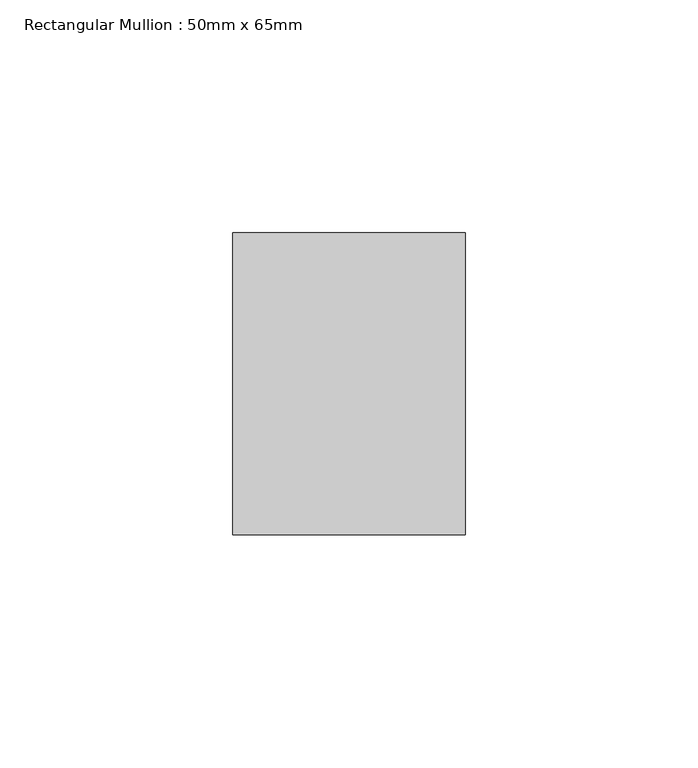
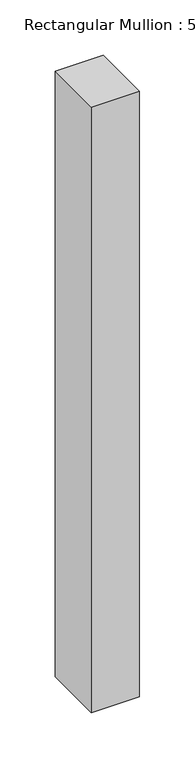
"""IFC4 building model written with IfcOpenShell, lengths in millimetres: member geometry, Rectangular Mullion : 50mm x 65mm."""

from ifc_helpers import new_model, si_unit, frame, origin, place, context, project, spatial, polyline, outline, extrude, source, transform, mapped, element, save


def rectangular_mullion_50mm_x_65mm_9daffd83(model_context):
    return source(origin(), model_context, "Body", "SweptSolid", [
        extrude(outline(polyline([(25.0, 32.5), (25.0, -32.5), (-25.0, -32.5), (-25.0, 32.5), (25.0, 32.5)])), frame((0.0, 0.0, -667.5402592), z_axis=(0.0, 0.0, 1.0), x_axis=(1.0, 0.0, 0.0)), (0.0, 0.0, 1.0), 667.5402592),
    ])


if __name__ == "__main__":
    model = new_model("IFC4")
    model_context = context("Model", 3, world=origin())
    ifc_project = project(units=[si_unit("LENGTHUNIT", "METRE", prefix="MILLI")], contexts=[model_context])
    site = spatial("IfcSite", under=ifc_project)
    building = spatial("IfcBuilding", under=site)
    placement = place(None, origin())
    rectangular_mullion_50mm_x_65mm_shape = rectangular_mullion_50mm_x_65mm_9daffd83(model_context)
    element("IfcMember", 1, ObjectType="Rectangular Mullion : 50mm x 65mm", at=placement, inside=building, context=model_context, shape_type="MappedRepresentation", body=[
        mapped(rectangular_mullion_50mm_x_65mm_shape, transform((0.0, 0.0, 0.0), x_axis=(1.0, 0.0, 0.0), y_axis=(0.0, 1.0, 0.0), z_axis=(0.0, 0.0, 1.0))),
    ])
    save(model, "model.ifc")
